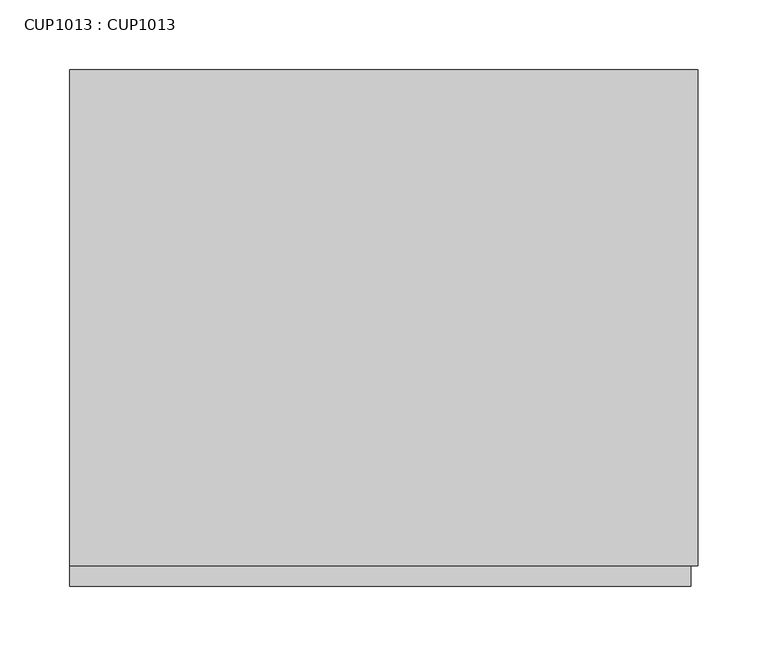
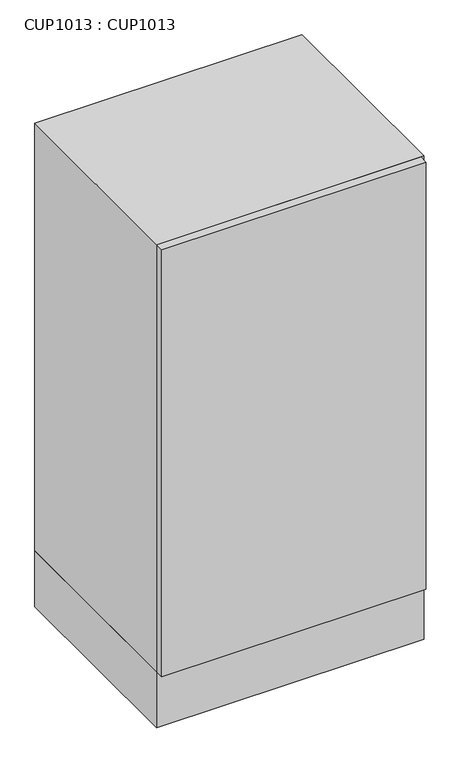
"""IFC4 building model written with IfcOpenShell, lengths in millimetres: proxy geometry, CUP1013 : CUP1013."""

from ifc_helpers import new_model, si_unit, frame, origin, origin_with_axes, place, context, project, spatial, polyline, outline, extrude, source, transform, mapped, element, save


def cup1013_cup1013_6efd374c(model_context):
    return source(origin(), model_context, "Body", "SweptSolid", [
        extrude(outline(polyline([(450.0, 0.0), (450.0, -355.0), (0.0, -355.0), (0.0, 0.0), (450.0, 0.0)])), frame((0.0, 0.0, 100.0), z_axis=(0.0, 0.0, 1.0), x_axis=(1.0, 0.0, 0.0)), (0.0, 0.0, 1.0), 760.0),
        extrude(outline(polyline([(0.0, -355.0), (445.0, -355.0), (445.0, -370.0), (0.0, -370.0), (0.0, -355.0)])), frame((0.0, 0.0, 100.0), z_axis=(0.0, 0.0, 1.0), x_axis=(1.0, 0.0, 0.0)), (0.0, 0.0, 1.0), 760.0),
        extrude(outline(polyline([(450.0, 0.0), (450.0, -355.0), (0.0, -355.0), (0.0, 0.0), (450.0, 0.0)])), origin_with_axes(), (0.0, 0.0, 1.0), 100.0),
    ])


if __name__ == "__main__":
    model = new_model("IFC4")
    model_context = context("Model", 3, world=origin())
    ifc_project = project(units=[si_unit("LENGTHUNIT", "METRE", prefix="MILLI")], contexts=[model_context])
    site = spatial("IfcSite", under=ifc_project)
    building = spatial("IfcBuilding", under=site)
    placement = place(None, origin())
    cup1013_cup1013_shape = cup1013_cup1013_6efd374c(model_context)
    element("IfcBuildingElementProxy", 1, Name="CUP1013 : CUP1013", ObjectType="CUP1013 : CUP1013", at=placement, inside=building, context=model_context, shape_type="MappedRepresentation", body=[
        mapped(cup1013_cup1013_shape, transform((0.0, 0.0, 0.0), x_axis=(1.0, 0.0, 0.0), y_axis=(0.0, 1.0, 0.0), z_axis=(0.0, 0.0, 1.0))),
    ])
    save(model, "model.ifc")
